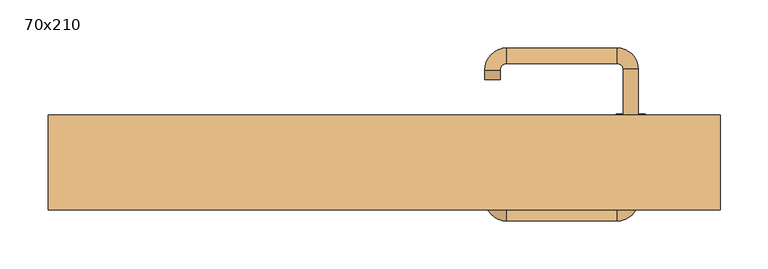
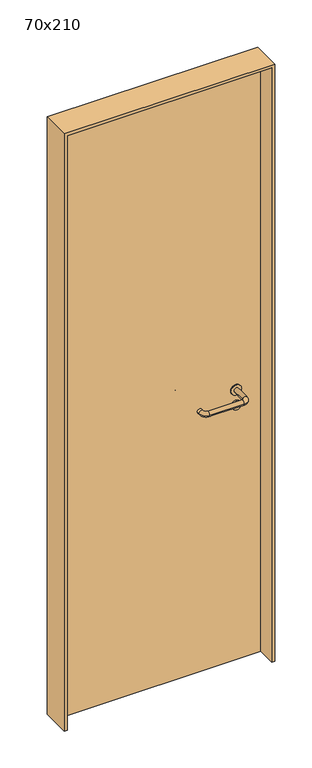
"""IFC4 building model written with IfcOpenShell, lengths in millimetres: door geometry, 70x210."""

from ifc_helpers import new_model, si_unit, point, frame, frame_2d, origin, origin_with_axes, place, context, project, spatial, polyline, circle_curve, ellipse_curve, trimmed, segment, composite_curve, outline, extrude, source, transform, mapped, element, save
from ifc_brep_helpers import plane_surface, cylinder_surface, revolved_surface, advanced_brep


def door_70x210_5a05125c(model_context):
    return source(origin(), model_context, "Body", "SolidModel", [
        extrude(outline(composite_curve([segment(trimmed(circle_curve(frame_2d((897.3605726, 257.0)), 15.0), [point((897.3605726, 272.0))], [point((897.3605726, 242.0))], False, "CARTESIAN"), True, "CONTINUOUS"), segment(trimmed(circle_curve(frame_2d((897.3605726, 257.0)), 15.0), [point((897.3605726, 242.0))], [point((897.3605726, 272.0))], False, "CARTESIAN"), True, "CONTINUOUS")], self_intersect=False), holes=[composite_curve([segment(trimmed(circle_curve(frame_2d((892.5833211, 256.9398032)), 2.0), [point((892.5833211, 258.9398032))], [point((892.5833211, 254.9398032))], True, "CARTESIAN"), True, "CONTINUOUS"), segment(polyline([(892.5833211, 254.9398032), (902.5833211, 254.9398032)]), True, "CONTINUOUS"), segment(trimmed(circle_curve(frame_2d((902.5833211, 256.9398032)), 2.0), [point((902.5833211, 254.9398032))], [point((902.5833211, 258.9398032))], True, "CARTESIAN"), True, "CONTINUOUS"), segment(polyline([(902.5833211, 258.9398032), (892.5833211, 258.9398032)]), True, "CONTINUOUS")], self_intersect=False)]), frame((0.0, 8.65, 0.0), z_axis=(0.0, 1.0, 0.0), x_axis=(0.0, 0.0, 1.0)), (0.0, 0.0, 1.0), 6.35),
        extrude(outline(composite_curve([segment(trimmed(circle_curve(frame_2d((950.0, 257.0)), 17.526), [point((950.0, 274.526))], [point((950.0, 239.474))], False, "CARTESIAN"), True, "CONTINUOUS"), segment(trimmed(circle_curve(frame_2d((950.0, 257.0)), 17.526), [point((950.0, 239.474))], [point((950.0, 274.526))], False, "CARTESIAN"), True, "CONTINUOUS")], self_intersect=False)), frame((0.0, 11.825, 0.0), z_axis=(0.0, 1.0, 0.0), x_axis=(0.0, 0.0, 1.0)), (0.0, 0.0, 1.0), 3.175),
        advanced_brep(
        [(265.0, 15.0, 950.0), (249.0, 15.0, 950.0), (249.0, -38.0, 950.0), (265.0, -38.0, 950.0), (242.8578644, -44.1421356, 950.0), (242.8578644, -60.1421356, 950.0), (127.8578644, -44.1421356, 950.0), (127.8578644, -60.1421356, 950.0), (121.008622, -37.2928932, 950.0), (105.008622, -37.2928932, 950.0), (105.008622, -27.2928932, 950.0), (121.008622, -27.2928932, 950.0)],
        [
            (0, 1, circle_curve(frame((257.0, 15.0, 950.0), z_axis=(0.0, 1.0, 0.0), x_axis=(-1.0, 0.0, 0.0)), 8.0)),
            (1, 0, circle_curve(frame((257.0, 15.0, 950.0), z_axis=(0.0, 1.0, 0.0), x_axis=(-1.0, 0.0, 0.0)), 8.0)),
            (1, 2),
            (2, 3, circle_curve(frame((257.0, -38.0, 950.0), z_axis=(0.0, 1.0, 0.0), x_axis=(-1.0, 0.0, 0.0)), 8.0)),
            (3, 0),
            (3, 2, circle_curve(frame((257.0, -38.0, 950.0), z_axis=(0.0, 1.0, 0.0), x_axis=(-1.0, 0.0, 0.0)), 8.0)),
            (4, 5, circle_curve(frame((242.8578644, -52.1421356, 950.0), z_axis=(1.0, 0.0, 0.0), x_axis=(0.0, 1.0, 0.0)), 8.0)),
            (5, 3, circle_curve(frame((242.8578644, -38.0, 950.0), z_axis=(0.0, 0.0, 1.0), x_axis=(1.0, 0.0, 0.0)), 22.1421356)),
            (2, 4, circle_curve(frame((242.8578644, -38.0, 950.0), z_axis=(0.0, 0.0, -1.0), x_axis=(1.0, 0.0, 0.0)), 6.1421356)),
            (5, 4, circle_curve(frame((242.8578644, -52.1421356, 950.0), z_axis=(1.0, 0.0, 0.0), x_axis=(0.0, 1.0, 0.0)), 8.0)),
            (4, 6),
            (6, 7, circle_curve(frame((127.8578644, -52.1421356, 950.0), z_axis=(1.0, 0.0, 0.0), x_axis=(0.0, 1.0, 0.0)), 8.0)),
            (7, 5),
            (7, 6, circle_curve(frame((127.8578644, -52.1421356, 950.0), z_axis=(1.0, 0.0, 0.0), x_axis=(0.0, 1.0, 0.0)), 8.0)),
            (8, 9, circle_curve(frame((113.008622, -37.2928932, 950.0), z_axis=(0.0, -1.0, 0.0), x_axis=(1.0, 0.0, 0.0)), 8.0)),
            (9, 7, circle_curve(frame((127.8578644, -37.2928932, 950.0), z_axis=(0.0, 0.0, 1.0), x_axis=(0.0, -1.0, 0.0)), 22.8492424)),
            (6, 8, circle_curve(frame((127.8578644, -37.2928932, 950.0), z_axis=(0.0, 0.0, -1.0), x_axis=(0.0, -1.0, 0.0)), 6.8492424)),
            (9, 8, circle_curve(frame((113.008622, -37.2928932, 950.0), z_axis=(0.0, -1.0, 0.0), x_axis=(1.0, 0.0, 0.0)), 8.0)),
            (10, 11, circle_curve(frame((113.008622, -27.2928932, 950.0), z_axis=(0.0, 1.0, 0.0), x_axis=(1.0, 0.0, 0.0)), 8.0)),
            (11, 10, circle_curve(frame((113.008622, -27.2928932, 950.0), z_axis=(0.0, 1.0, 0.0), x_axis=(1.0, 0.0, 0.0)), 8.0)),
            (8, 11),
            (10, 9),
        ],
        [
            plane_surface(frame((257.0, 15.0, 0.0), z_axis=(0.0, 1.0, 0.0), x_axis=(0.0, 0.0, 1.0))),
            cylinder_surface(frame((257.0, 15.0, 950.0), z_axis=(0.0, 1.0, 0.0), x_axis=(-1.0, 0.0, 0.0)), 8.0),
            revolved_surface(trimmed(ellipse_curve(frame((257.0, -38.0, 950.0), z_axis=(0.0, -1.0, 0.0), x_axis=(-1.0, 0.0, 0.0)), 8.0, 8.0), [point((265.0, -38.0, 950.0))], [point((249.0, -38.0, 950.0))], True, "CARTESIAN"), (242.8578644, -38.0, 0.0), (0.0, 0.0, 1.0)),
            revolved_surface(trimmed(ellipse_curve(frame((257.0, -38.0, 950.0), z_axis=(0.0, -1.0, 0.0), x_axis=(-1.0, 0.0, 0.0)), 8.0, 8.0), [point((249.0, -38.0, 950.0))], [point((265.0, -38.0, 950.0))], True, "CARTESIAN"), (242.8578644, -38.0, 0.0), (0.0, 0.0, 1.0)),
            cylinder_surface(frame((242.8578644, -52.1421356, 950.0), z_axis=(1.0, 0.0, 0.0), x_axis=(0.0, 1.0, 0.0)), 8.0),
            revolved_surface(trimmed(ellipse_curve(frame((127.8578644, -52.1421356, 950.0), z_axis=(-1.0, 0.0, 0.0), x_axis=(0.0, 1.0, 0.0)), 8.0, 8.0), [point((127.8578644, -60.1421356, 950.0))], [point((127.8578644, -44.1421356, 950.0))], True, "CARTESIAN"), (127.8578644, -37.2928932, 0.0), (0.0, 0.0, 1.0)),
            revolved_surface(trimmed(ellipse_curve(frame((127.8578644, -52.1421356, 950.0), z_axis=(-1.0, 0.0, 0.0), x_axis=(0.0, 1.0, 0.0)), 8.0, 8.0), [point((127.8578644, -44.1421356, 950.0))], [point((127.8578644, -60.1421356, 950.0))], True, "CARTESIAN"), (127.8578644, -37.2928932, 0.0), (0.0, 0.0, 1.0)),
            plane_surface(frame((113.008622, -27.2928932, 0.0), z_axis=(0.0, 1.0, 0.0), x_axis=(0.0, 0.0, 1.0))),
            cylinder_surface(frame((113.008622, -37.2928932, 950.0), z_axis=(0.0, -1.0, 0.0), x_axis=(1.0, 0.0, 0.0)), 8.0),
        ],
        [
            (0, [[1, 2]]),
            (1, [[3, 4, 5, -2]]),
            (1, [[-5, 6, -3, -1]]),
            (2, [[7, 8, -4, 9]]),
            (3, [[10, -9, -6, -8]]),
            (4, [[11, 12, 13, -7]]),
            (4, [[-13, 14, -11, -10]]),
            (5, [[15, 16, -12, 17]]),
            (6, [[18, -17, -14, -16]]),
            (7, [[19, 20]]),
            (8, [[21, -19, 22, -15]]),
            (8, [[-22, -20, -21, -18]]),
        ],
    ),
        extrude(outline(composite_curve([segment(trimmed(circle_curve(frame_2d((0.0, -15.0)), 15.0), [point((0.0, -30.0))], [point((0.0, 0.0))], False, "CARTESIAN"), True, "CONTINUOUS"), segment(trimmed(circle_curve(frame_2d((0.0, -15.0)), 15.0), [point((0.0, 0.0))], [point((0.0, -30.0))], False, "CARTESIAN"), True, "CONTINUOUS")], self_intersect=False), holes=[composite_curve([segment(trimmed(circle_curve(frame_2d((4.7772515, -14.9398032)), 2.0), [point((4.7772515, -16.9398032))], [point((4.7772515, -12.9398032))], True, "CARTESIAN"), True, "CONTINUOUS"), segment(polyline([(4.7772515, -12.9398032), (-5.2227485, -12.9398032)]), True, "CONTINUOUS"), segment(trimmed(circle_curve(frame_2d((-5.2227485, -14.9398032)), 2.0), [point((-5.2227485, -12.9398032))], [point((-5.2227485, -16.9398032))], True, "CARTESIAN"), True, "CONTINUOUS"), segment(polyline([(-5.2227485, -16.9398032), (4.7772515, -16.9398032)]), True, "CONTINUOUS")], self_intersect=False)]), frame((242.0, 45.0, 897.3605726), z_axis=(1.8870575173328306e-12, 1.0, 0.0), x_axis=(0.0, 0.0, -1.0)), (0.0, 0.0, 1.0), 6.35),
        extrude(outline(composite_curve([segment(trimmed(circle_curve(frame_2d((0.0, -17.526)), 17.526), [point((0.0, -35.052))], [point((0.0, 0.0))], False, "CARTESIAN"), True, "CONTINUOUS"), segment(trimmed(circle_curve(frame_2d((0.0, -17.526)), 17.526), [point((0.0, 0.0))], [point((0.0, -35.052))], False, "CARTESIAN"), True, "CONTINUOUS")], self_intersect=False)), frame((239.474, 45.0, 950.0), z_axis=(1.8870575173328306e-12, 1.0, 0.0), x_axis=(0.0, 0.0, -1.0)), (0.0, 0.0, 1.0), 3.175),
        advanced_brep(
        [(265.0, 45.0, 950.0), (249.0, 45.0, 950.0), (265.0, 98.0, 950.0), (249.0, 98.0, 950.0), (242.8578644, 104.1421356, 950.0), (242.8578644, 120.1421356, 950.0), (127.8578644, 120.1421356, 950.0), (127.8578644, 104.1421356, 950.0), (121.008622, 97.2928932, 950.0), (105.008622, 97.2928932, 950.0), (105.008622, 87.2928932, 950.0), (121.008622, 87.2928932, 950.0)],
        [
            (0, 1, circle_curve(frame((257.0, 45.0, 950.0), z_axis=(-1.888672253512351e-12, -1.0, 0.0), x_axis=(-1.0, 1.888672253512351e-12, 0.0)), 8.0)),
            (1, 0, circle_curve(frame((257.0, 45.0, 950.0), z_axis=(-1.888672253512351e-12, -1.0, 0.0), x_axis=(-1.0, 1.888672253512351e-12, 0.0)), 8.0)),
            (0, 2),
            (2, 3, circle_curve(frame((257.0, 98.0, 950.0), z_axis=(-1.888672253512351e-12, -1.0, 0.0), x_axis=(-1.0, 1.888672253512351e-12, 0.0)), 8.0)),
            (3, 1),
            (3, 2, circle_curve(frame((257.0, 98.0, 950.0), z_axis=(-1.888672253512351e-12, -1.0, 0.0), x_axis=(-1.0, 1.888672253512351e-12, 0.0)), 8.0)),
            (4, 3, circle_curve(frame((242.8578644, 98.0, 950.0), z_axis=(0.0, 0.0, -1.0), x_axis=(1.0, -1.880717803715015e-12, 0.0)), 6.1421356)),
            (2, 5, circle_curve(frame((242.8578644, 98.0, 950.0), z_axis=(0.0, 0.0, 1.0), x_axis=(1.0, -1.880717803715015e-12, 0.0)), 22.1421356)),
            (5, 4, circle_curve(frame((242.8578644, 112.1421356, 950.0), z_axis=(1.0, -1.913702061528922e-12, 0.0), x_axis=(-1.913702061528922e-12, -1.0, 0.0)), 8.0)),
            (4, 5, circle_curve(frame((242.8578644, 112.1421356, 950.0), z_axis=(1.0, -1.913702061528922e-12, 0.0), x_axis=(-1.913702061528922e-12, -1.0, 0.0)), 8.0)),
            (5, 6),
            (6, 7, circle_curve(frame((127.8578644, 112.1421356, 950.0), z_axis=(1.0, -1.913719828541269e-12, 0.0), x_axis=(-1.913719828541269e-12, -1.0, 0.0)), 8.0)),
            (7, 4),
            (7, 6, circle_curve(frame((127.8578644, 112.1421356, 950.0), z_axis=(1.0, -1.913719828541269e-12, 0.0), x_axis=(-1.913719828541269e-12, -1.0, 0.0)), 8.0)),
            (8, 7, circle_curve(frame((127.8578644, 97.2928932, 950.0), z_axis=(0.0, 0.0, -1.0), x_axis=(1.9120873253494017e-12, 1.0, 0.0)), 6.8492424)),
            (6, 9, circle_curve(frame((127.8578644, 97.2928932, 950.0), z_axis=(0.0, 0.0, 1.0), x_axis=(1.9120873253494017e-12, 1.0, 0.0)), 22.8492424)),
            (9, 8, circle_curve(frame((113.008622, 97.2928932, 950.0), z_axis=(1.890448610351751e-12, 1.0, 0.0), x_axis=(1.0, -1.890448610351751e-12, 0.0)), 8.0)),
            (8, 9, circle_curve(frame((113.008622, 97.2928932, 950.0), z_axis=(1.8888942981172756e-12, 1.0, 0.0), x_axis=(1.0, -1.8888942981172756e-12, 0.0)), 8.0)),
            (10, 11, circle_curve(frame((113.008622, 87.2928932, 950.0), z_axis=(-1.8903642334018795e-12, -1.0, 0.0), x_axis=(1.0, -1.8903642334018795e-12, 0.0)), 8.0)),
            (11, 10, circle_curve(frame((113.008622, 87.2928932, 950.0), z_axis=(-1.8903642334018795e-12, -1.0, 0.0), x_axis=(1.0, -1.8903642334018795e-12, 0.0)), 8.0)),
            (9, 10),
            (11, 8),
        ],
        [
            plane_surface(frame((257.0, 45.0, 0.0), z_axis=(-1.8870575173328306e-12, -1.0, 0.0), x_axis=(0.0, 0.0, 1.0))),
            cylinder_surface(frame((257.0, 45.0, 950.0), z_axis=(-1.888672253512351e-12, -1.0, 0.0), x_axis=(-1.0, 1.888672253512351e-12, 0.0)), 8.0),
            revolved_surface(trimmed(ellipse_curve(frame((257.0, 98.0, 950.0), z_axis=(-1.8823325398945356e-12, -1.0, 0.0), x_axis=(-1.0, 1.8823325398945356e-12, 0.0)), 8.0, 8.0), [point((265.0, 98.0, 950.0))], [point((249.0, 98.0, 950.0))], True, "CARTESIAN"), (242.8578644, 98.0, 0.0), (0.0, 0.0, 1.0)),
            revolved_surface(trimmed(ellipse_curve(frame((257.0, 98.0, 950.0), z_axis=(-1.8823325398945356e-12, -1.0, 0.0), x_axis=(-1.0, 1.8823325398945356e-12, 0.0)), 8.0, 8.0), [point((249.0, 98.0, 950.0))], [point((265.0, 98.0, 950.0))], True, "CARTESIAN"), (242.8578644, 98.0, 0.0), (0.0, 0.0, 1.0)),
            cylinder_surface(frame((242.8578644, 112.1421356, 950.0), z_axis=(1.0, -1.913719828541269e-12, 0.0), x_axis=(-1.913719828541269e-12, -1.0, 0.0)), 8.0),
            revolved_surface(trimmed(ellipse_curve(frame((127.8578644, 112.1421356, 950.0), z_axis=(1.0, -1.913702061528922e-12, 0.0), x_axis=(-1.913702061528922e-12, -1.0, 0.0)), 8.0, 8.0), [point((127.8578644, 120.1421356, 950.0))], [point((127.8578644, 104.1421356, 950.0))], True, "CARTESIAN"), (127.8578644, 97.2928932, 0.0), (0.0, 0.0, 1.0)),
            revolved_surface(trimmed(ellipse_curve(frame((127.8578644, 112.1421356, 950.0), z_axis=(1.0, -1.913702061528922e-12, 0.0), x_axis=(-1.913702061528922e-12, -1.0, 0.0)), 8.0, 8.0), [point((127.8578644, 104.1421356, 950.0))], [point((127.8578644, 120.1421356, 950.0))], True, "CARTESIAN"), (127.8578644, 97.2928932, 0.0), (0.0, 0.0, 1.0)),
            plane_surface(frame((113.008622, 87.2928932, 0.0), z_axis=(-1.8887494972223595e-12, -1.0, 0.0), x_axis=(0.0, 0.0, 1.0))),
            cylinder_surface(frame((113.008622, 97.2928932, 950.0), z_axis=(1.8903642334018795e-12, 1.0, 0.0), x_axis=(1.0, -1.8903642334018795e-12, 0.0)), 8.0),
        ],
        [
            (0, [[1, 2]]),
            (1, [[-1, 3, 4, 5]]),
            (1, [[-2, -5, 6, -3]]),
            (2, [[7, -4, 8, 9]]),
            (3, [[-8, -6, -7, 10]]),
            (4, [[-9, 11, 12, 13]]),
            (4, [[-10, -13, 14, -11]]),
            (5, [[15, -12, 16, 17]]),
            (6, [[-16, -14, -15, 18]]),
            (7, [[19, 20]]),
            (8, [[-17, 21, -20, 22]]),
            (8, [[-18, -22, -19, -21]]),
        ],
    ),
        extrude(outline(polyline([(2090.0, 340.0), (0.0, 340.0), (0.0, 350.0), (2100.0, 350.0), (2100.0, -350.0), (0.0, -350.0), (0.0, -340.0), (2090.0, -340.0), (2090.0, 340.0)])), frame((0.0, -49.0, 0.0), z_axis=(0.0, 1.0, 0.0), x_axis=(0.0, 0.0, 1.0)), (0.0, 0.0, 1.0), 99.0),
        extrude(outline(polyline([(-340.0, 45.0), (340.0, 45.0), (340.0, 15.0), (-340.0, 15.0), (-340.0, 45.0)])), origin_with_axes(), (0.0, 0.0, 1.0), 2090.0),
    ])


if __name__ == "__main__":
    model = new_model("IFC4")
    model_context = context("Model", 3, world=origin())
    ifc_project = project(units=[si_unit("LENGTHUNIT", "METRE", prefix="MILLI")], contexts=[model_context])
    site = spatial("IfcSite", under=ifc_project)
    building = spatial("IfcBuilding", under=site)
    placement = place(None, origin())
    door_70x210_shape = door_70x210_5a05125c(model_context)
    element("IfcDoor", 1, ObjectType="70x210", at=placement, inside=building, context=model_context, shape_type="MappedRepresentation", body=[
        mapped(door_70x210_shape, transform((0.0, 0.0, 0.0), x_axis=(1.0, 0.0, 0.0), y_axis=(0.0, 1.0, 0.0), z_axis=(0.0, 0.0, 1.0))),
    ])
    save(model, "model.ifc")
